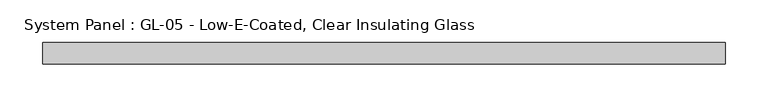
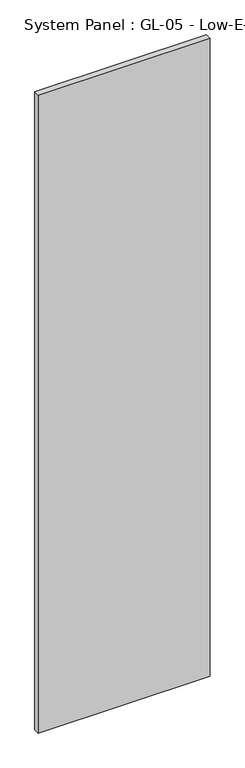
"""IFC4 building model written with IfcOpenShell, lengths in millimetres: plate geometry, System Panel : GL-05 - Low-E-Coated, Clear Insulating Glass."""

import ifcopenshell
import ifcopenshell.guid

model = None  # the IFC model being written
_history = None  # IfcOwnerHistory: only IFC2X3 demands one
_inside = {}  # id of a spatial element -> (the spatial element, [elements in it])
_under = {}  # id of a project, library or spatial element -> (it, [spatial elements below it])
_declared = {}  # id of a project -> (the project, [libraries it declares])
_typed = {}  # id of a type object -> (the type object, [elements of that type])
_made_of = {}  # id of a material, layer set ... -> (it, [elements and type objects made of it])


def new_model(schema):
    """Start an empty IFC model of exactly this schema.

    Asked for "IFC4X3", IfcOpenShell would pick the latest addendum, in which some entities
    have other attributes; the version numbers below select the first issue.
    IFC2X3 requires an IfcOwnerHistory on every rooted entity: one is made here for all.
    """
    global model, _history
    if schema == "IFC4X3":
        model = ifcopenshell.file(schema_version=(4, 3, 0, 0))
    else:
        model = ifcopenshell.file(schema=schema)
    _inside.clear()
    _under.clear()
    _declared.clear()
    _typed.clear()
    _made_of.clear()
    _history = None
    if model.schema == "IFC2X3":
        org = make("IfcOrganization", Name="unknown")
        user = make(
            "IfcPersonAndOrganization",
            ThePerson=make("IfcPerson", FamilyName="unknown"),
            TheOrganization=org,
        )
        app = make(
            "IfcApplication",
            ApplicationDeveloper=org,
            Version="unknown",
            ApplicationFullName="unknown",
            ApplicationIdentifier="unknown",
        )
        _history = make(
            "IfcOwnerHistory",
            OwningUser=user,
            OwningApplication=app,
            ChangeAction="ADDED",
            CreationDate=0,
        )
    return model


def make(cls, **values):
    """One entity of the class cls with the attributes given. An attribute that is None is left unset."""
    return model.create_entity(
        cls, **{name: value for name, value in values.items() if value is not None}
    )


def rooted(cls, **values):
    """An entity with a GlobalId (a new one), such as an element, a storey or a relation."""
    return make(cls, GlobalId=ifcopenshell.guid.new(), OwnerHistory=_history, **values)


def si_unit(unit_type, name, prefix=None):
    """IfcSIUnit, for example si_unit("LENGTHUNIT", "METRE", prefix="MILLI")."""
    return make("IfcSIUnit", UnitType=unit_type, Prefix=prefix, Name=name)


def assignment(units):
    """IfcUnitAssignment: the units of a project."""
    return None if units is None else make("IfcUnitAssignment", Units=units)


def point(xyz):
    """IfcCartesianPoint."""
    return None if xyz is None else make("IfcCartesianPoint", Coordinates=xyz)


def direction(xyz):
    """IfcDirection."""
    return None if xyz is None else make("IfcDirection", DirectionRatios=xyz)


def frame(location, z_axis=None, x_axis=None):
    """IfcAxis2Placement3D, a coordinate frame: its origin and axes. An axis left out is left unset."""
    return make(
        "IfcAxis2Placement3D",
        Location=point(location),
        Axis=direction(z_axis),
        RefDirection=direction(x_axis),
    )


def origin():
    """The frame at (0, 0, 0) with its axes left unset."""
    return frame((0.0, 0.0, 0.0))


def origin_with_axes():
    """The frame at (0, 0, 0) with the z axis (0, 0, 1) and the x axis (1, 0, 0) written out."""
    return frame((0.0, 0.0, 0.0), z_axis=(0.0, 0.0, 1.0), x_axis=(1.0, 0.0, 0.0))


def place(relative_to, where):
    """IfcLocalPlacement: puts the frame where relative to a parent placement (None: the world)."""
    return make(
        "IfcLocalPlacement", PlacementRelTo=relative_to, RelativePlacement=where
    )


def context(
    kind, dimensions, precision=None, world=None, true_north=None, identifier=None
):
    """IfcGeometricRepresentationContext, for example the 3D "Model" context."""
    return make(
        "IfcGeometricRepresentationContext",
        ContextIdentifier=identifier,
        ContextType=kind,
        CoordinateSpaceDimension=dimensions,
        Precision=precision,
        WorldCoordinateSystem=world,
        TrueNorth=true_north,
    )


def project(units=None, contexts=None):
    """IfcProject with its units and contexts."""
    return rooted(
        "IfcProject",
        Name="project",
        RepresentationContexts=contexts,
        UnitsInContext=assignment(units),
    )


def spatial(cls, under=None, at=None, **own):
    """A site, building, storey or space (cls), placed at a placement, below another one or the project."""
    s = rooted(cls, ObjectPlacement=at, **own)
    if under is not None:
        _under.setdefault(under.id(), (under, []))[1].append(s)
    return s


def polyline(points):
    """IfcPolyline through the points."""
    return make("IfcPolyline", Points=[point(p) for p in points])


def outline(outer, holes=None, kind="AREA"):
    """IfcArbitraryClosedProfileDef: a profile drawn as a closed curve; with holes, ...WithVoids."""
    if holes is None:
        return make("IfcArbitraryClosedProfileDef", ProfileType=kind, OuterCurve=outer)
    return make(
        "IfcArbitraryProfileDefWithVoids",
        ProfileType=kind,
        OuterCurve=outer,
        InnerCurves=holes,
    )


def extrude(swept, where, along, depth):
    """IfcExtrudedAreaSolid: the profile swept, set in the frame where, extruded along a direction by depth."""
    return make(
        "IfcExtrudedAreaSolid",
        SweptArea=swept,
        Position=where,
        ExtrudedDirection=direction(along),
        Depth=depth,
    )


def shape(context_of_items, identifier, shape_type, items):
    """IfcShapeRepresentation: the items that make up one representation, for example the "Body"."""
    return make(
        "IfcShapeRepresentation",
        ContextOfItems=context_of_items,
        RepresentationIdentifier=identifier,
        RepresentationType=shape_type,
        Items=items,
    )


def source(mapping_origin, context_of_items, identifier, shape_type, items):
    """IfcRepresentationMap: a shape defined once, which mapped items show again and again."""
    return make(
        "IfcRepresentationMap",
        MappingOrigin=mapping_origin,
        MappedRepresentation=shape(context_of_items, identifier, shape_type, items),
    )


def transform(
    local_origin,
    x_axis=None,
    y_axis=None,
    z_axis=None,
    scale=None,
    scale2=None,
    scale3=None,
    uniform=True,
):
    """IfcCartesianTransformationOperator3D, or its non-uniform kind. x_axis, y_axis, z_axis: its Axis1, 2, 3."""
    if uniform:
        return make(
            "IfcCartesianTransformationOperator3D",
            Axis1=direction(x_axis),
            Axis2=direction(y_axis),
            LocalOrigin=point(local_origin),
            Scale=scale,
            Axis3=direction(z_axis),
        )
    return make(
        "IfcCartesianTransformationOperator3DnonUniform",
        Axis1=direction(x_axis),
        Axis2=direction(y_axis),
        LocalOrigin=point(local_origin),
        Scale=scale,
        Axis3=direction(z_axis),
        Scale2=scale2,
        Scale3=scale3,
    )


def mapped(mapping_source, mapping_target):
    """IfcMappedItem: shows the shape of a source again, moved by a transform."""
    return make(
        "IfcMappedItem", MappingSource=mapping_source, MappingTarget=mapping_target
    )


def made_of(thing, what):
    """Note that an element or type object is made of a material, layer set ...; save() writes the relation."""
    if what is not None:
        _made_of.setdefault(what.id(), (what, []))[1].append(thing)
    return thing


def element(
    cls,
    number,
    at=None,
    inside=None,
    cuts=None,
    type_object=None,
    material=None,
    context=None,
    identifier="Body",
    shape_type=None,
    held_by="IfcProductDefinitionShape",
    body=None,
    shapes=None,
    **own,
):
    """One element of the class cls, such as IfcWall. Its Tag is "e" and its number.

    at: its placement. inside: the storey or other place that contains it. cuts: it is an
    opening in that element (IfcRelVoidsElement). A single representation is given by context,
    identifier, shape_type and body (its items); several are given by shapes. held_by: the class
    of the entity that holds the representations. save() writes the other relations.
    """
    e = rooted(cls, Tag="e%d" % number, ObjectPlacement=at, **own)
    if body is not None:
        shapes = [shape(context, identifier, shape_type, body)]
    if shapes is not None:
        e.Representation = make(held_by, Representations=shapes)
    if inside is not None:
        _inside.setdefault(inside.id(), (inside, []))[1].append(e)
    if cuts is not None:
        rooted(
            "IfcRelVoidsElement", RelatingBuildingElement=cuts, RelatedOpeningElement=e
        )
    if type_object is not None:
        _typed.setdefault(type_object.id(), (type_object, []))[1].append(e)
    return made_of(e, material)


def aggregate(whole, parts):
    """IfcRelAggregates: a whole, such as a stair, and the parts it consists of."""
    return rooted("IfcRelAggregates", RelatingObject=whole, RelatedObjects=parts)


def save(model, path):
    """Write the relations noted so far, then the file.

    IfcRelAggregates (storeys below a building ...), IfcRelContainedInSpatialStructure (elements
    in a storey), IfcRelDefinesByType, IfcRelAssociatesMaterial and IfcRelDeclares: one each for
    every whole, place, type object, material and project.
    """
    for whole, parts in _under.values():
        aggregate(whole, parts)
    for where, things in _inside.values():
        rooted(
            "IfcRelContainedInSpatialStructure",
            RelatedElements=things,
            RelatingStructure=where,
        )
    for kind, things in _typed.values():
        rooted("IfcRelDefinesByType", RelatedObjects=things, RelatingType=kind)
    for what, things in _made_of.values():
        rooted("IfcRelAssociatesMaterial", RelatedObjects=things, RelatingMaterial=what)
    for by, libraries in _declared.values():
        rooted("IfcRelDeclares", RelatingContext=by, RelatedDefinitions=libraries)
    model.write(path)


def system_panel_gl_05_low_e_coated_clear_insulating_glass_2034c942(model_context):
    return source(origin(), model_context, "Body", "SweptSolid", [
        extrude(outline(polyline([(400.9066095, -12.7), (-400.9066095, -12.7), (-400.9066095, 12.7), (400.9066095, 12.7), (400.9066095, -12.7)])), origin_with_axes(), (0.0, 0.0, 1.0), 3143.25),
    ])


if __name__ == "__main__":
    model = new_model("IFC4")
    model_context = context("Model", 3, world=origin())
    ifc_project = project(units=[si_unit("LENGTHUNIT", "METRE", prefix="MILLI")], contexts=[model_context])
    site = spatial("IfcSite", under=ifc_project)
    building = spatial("IfcBuilding", under=site)
    placement = place(None, origin())
    system_panel_gl_05_low_e_coated_clear_insulating_glass_shape = system_panel_gl_05_low_e_coated_clear_insulating_glass_2034c942(model_context)
    element("IfcPlate", 1, ObjectType="System Panel : GL-05 - Low-E-Coated, Clear Insulating Glass", at=placement, inside=building, context=model_context, shape_type="MappedRepresentation", body=[
        mapped(system_panel_gl_05_low_e_coated_clear_insulating_glass_shape, transform((0.0, 0.0, 0.0), x_axis=(1.0, 0.0, 0.0), y_axis=(0.0, 1.0, 0.0), z_axis=(0.0, 0.0, 1.0))),
    ])
    save(model, "model.ifc")
